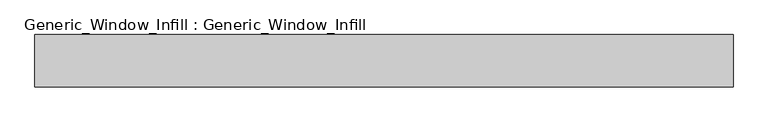
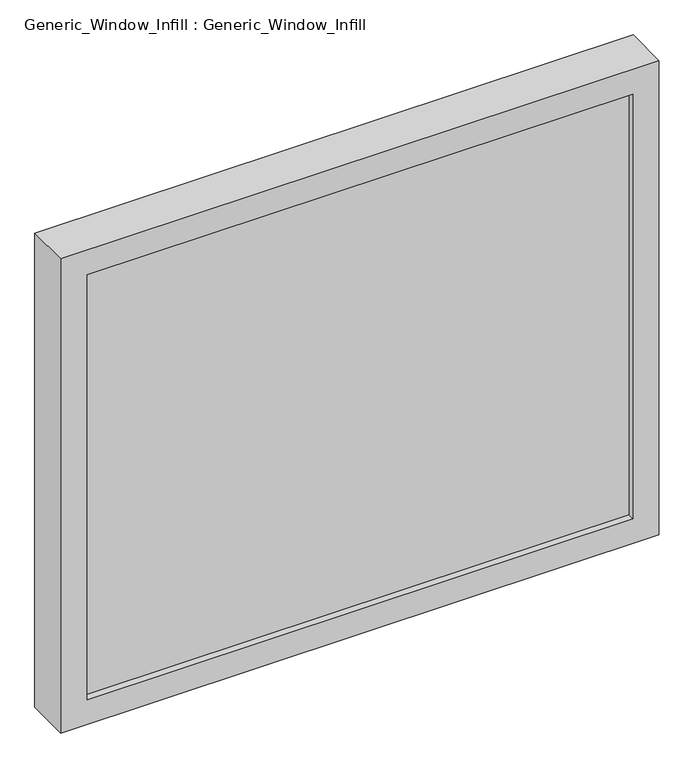
"""IFC4 building model written with IfcOpenShell, lengths in millimetres: plate geometry, Generic_Window_Infill : Generic_Window_Infill."""

import ifcopenshell
import ifcopenshell.guid

model = None  # the IFC model being written
_history = None  # IfcOwnerHistory: only IFC2X3 demands one
_inside = {}  # id of a spatial element -> (the spatial element, [elements in it])
_under = {}  # id of a project, library or spatial element -> (it, [spatial elements below it])
_declared = {}  # id of a project -> (the project, [libraries it declares])
_typed = {}  # id of a type object -> (the type object, [elements of that type])
_made_of = {}  # id of a material, layer set ... -> (it, [elements and type objects made of it])


def new_model(schema):
    """Start an empty IFC model of exactly this schema.

    Asked for "IFC4X3", IfcOpenShell would pick the latest addendum, in which some entities
    have other attributes; the version numbers below select the first issue.
    IFC2X3 requires an IfcOwnerHistory on every rooted entity: one is made here for all.
    """
    global model, _history
    if schema == "IFC4X3":
        model = ifcopenshell.file(schema_version=(4, 3, 0, 0))
    else:
        model = ifcopenshell.file(schema=schema)
    _inside.clear()
    _under.clear()
    _declared.clear()
    _typed.clear()
    _made_of.clear()
    _history = None
    if model.schema == "IFC2X3":
        org = make("IfcOrganization", Name="unknown")
        user = make(
            "IfcPersonAndOrganization",
            ThePerson=make("IfcPerson", FamilyName="unknown"),
            TheOrganization=org,
        )
        app = make(
            "IfcApplication",
            ApplicationDeveloper=org,
            Version="unknown",
            ApplicationFullName="unknown",
            ApplicationIdentifier="unknown",
        )
        _history = make(
            "IfcOwnerHistory",
            OwningUser=user,
            OwningApplication=app,
            ChangeAction="ADDED",
            CreationDate=0,
        )
    return model


def make(cls, **values):
    """One entity of the class cls with the attributes given. An attribute that is None is left unset."""
    return model.create_entity(
        cls, **{name: value for name, value in values.items() if value is not None}
    )


def rooted(cls, **values):
    """An entity with a GlobalId (a new one), such as an element, a storey or a relation."""
    return make(cls, GlobalId=ifcopenshell.guid.new(), OwnerHistory=_history, **values)


def si_unit(unit_type, name, prefix=None):
    """IfcSIUnit, for example si_unit("LENGTHUNIT", "METRE", prefix="MILLI")."""
    return make("IfcSIUnit", UnitType=unit_type, Prefix=prefix, Name=name)


def assignment(units):
    """IfcUnitAssignment: the units of a project."""
    return None if units is None else make("IfcUnitAssignment", Units=units)


def point(xyz):
    """IfcCartesianPoint."""
    return None if xyz is None else make("IfcCartesianPoint", Coordinates=xyz)


def direction(xyz):
    """IfcDirection."""
    return None if xyz is None else make("IfcDirection", DirectionRatios=xyz)


def frame(location, z_axis=None, x_axis=None):
    """IfcAxis2Placement3D, a coordinate frame: its origin and axes. An axis left out is left unset."""
    return make(
        "IfcAxis2Placement3D",
        Location=point(location),
        Axis=direction(z_axis),
        RefDirection=direction(x_axis),
    )


def origin():
    """The frame at (0, 0, 0) with its axes left unset."""
    return frame((0.0, 0.0, 0.0))


def place(relative_to, where):
    """IfcLocalPlacement: puts the frame where relative to a parent placement (None: the world)."""
    return make(
        "IfcLocalPlacement", PlacementRelTo=relative_to, RelativePlacement=where
    )


def context(
    kind, dimensions, precision=None, world=None, true_north=None, identifier=None
):
    """IfcGeometricRepresentationContext, for example the 3D "Model" context."""
    return make(
        "IfcGeometricRepresentationContext",
        ContextIdentifier=identifier,
        ContextType=kind,
        CoordinateSpaceDimension=dimensions,
        Precision=precision,
        WorldCoordinateSystem=world,
        TrueNorth=true_north,
    )


def project(units=None, contexts=None):
    """IfcProject with its units and contexts."""
    return rooted(
        "IfcProject",
        Name="project",
        RepresentationContexts=contexts,
        UnitsInContext=assignment(units),
    )


def spatial(cls, under=None, at=None, **own):
    """A site, building, storey or space (cls), placed at a placement, below another one or the project."""
    s = rooted(cls, ObjectPlacement=at, **own)
    if under is not None:
        _under.setdefault(under.id(), (under, []))[1].append(s)
    return s


def polyline(points):
    """IfcPolyline through the points."""
    return make("IfcPolyline", Points=[point(p) for p in points])


def outline(outer, holes=None, kind="AREA"):
    """IfcArbitraryClosedProfileDef: a profile drawn as a closed curve; with holes, ...WithVoids."""
    if holes is None:
        return make("IfcArbitraryClosedProfileDef", ProfileType=kind, OuterCurve=outer)
    return make(
        "IfcArbitraryProfileDefWithVoids",
        ProfileType=kind,
        OuterCurve=outer,
        InnerCurves=holes,
    )


def extrude(swept, where, along, depth):
    """IfcExtrudedAreaSolid: the profile swept, set in the frame where, extruded along a direction by depth."""
    return make(
        "IfcExtrudedAreaSolid",
        SweptArea=swept,
        Position=where,
        ExtrudedDirection=direction(along),
        Depth=depth,
    )


def shape(context_of_items, identifier, shape_type, items):
    """IfcShapeRepresentation: the items that make up one representation, for example the "Body"."""
    return make(
        "IfcShapeRepresentation",
        ContextOfItems=context_of_items,
        RepresentationIdentifier=identifier,
        RepresentationType=shape_type,
        Items=items,
    )


def source(mapping_origin, context_of_items, identifier, shape_type, items):
    """IfcRepresentationMap: a shape defined once, which mapped items show again and again."""
    return make(
        "IfcRepresentationMap",
        MappingOrigin=mapping_origin,
        MappedRepresentation=shape(context_of_items, identifier, shape_type, items),
    )


def transform(
    local_origin,
    x_axis=None,
    y_axis=None,
    z_axis=None,
    scale=None,
    scale2=None,
    scale3=None,
    uniform=True,
):
    """IfcCartesianTransformationOperator3D, or its non-uniform kind. x_axis, y_axis, z_axis: its Axis1, 2, 3."""
    if uniform:
        return make(
            "IfcCartesianTransformationOperator3D",
            Axis1=direction(x_axis),
            Axis2=direction(y_axis),
            LocalOrigin=point(local_origin),
            Scale=scale,
            Axis3=direction(z_axis),
        )
    return make(
        "IfcCartesianTransformationOperator3DnonUniform",
        Axis1=direction(x_axis),
        Axis2=direction(y_axis),
        LocalOrigin=point(local_origin),
        Scale=scale,
        Axis3=direction(z_axis),
        Scale2=scale2,
        Scale3=scale3,
    )


def mapped(mapping_source, mapping_target):
    """IfcMappedItem: shows the shape of a source again, moved by a transform."""
    return make(
        "IfcMappedItem", MappingSource=mapping_source, MappingTarget=mapping_target
    )


def made_of(thing, what):
    """Note that an element or type object is made of a material, layer set ...; save() writes the relation."""
    if what is not None:
        _made_of.setdefault(what.id(), (what, []))[1].append(thing)
    return thing


def element(
    cls,
    number,
    at=None,
    inside=None,
    cuts=None,
    type_object=None,
    material=None,
    context=None,
    identifier="Body",
    shape_type=None,
    held_by="IfcProductDefinitionShape",
    body=None,
    shapes=None,
    **own,
):
    """One element of the class cls, such as IfcWall. Its Tag is "e" and its number.

    at: its placement. inside: the storey or other place that contains it. cuts: it is an
    opening in that element (IfcRelVoidsElement). A single representation is given by context,
    identifier, shape_type and body (its items); several are given by shapes. held_by: the class
    of the entity that holds the representations. save() writes the other relations.
    """
    e = rooted(cls, Tag="e%d" % number, ObjectPlacement=at, **own)
    if body is not None:
        shapes = [shape(context, identifier, shape_type, body)]
    if shapes is not None:
        e.Representation = make(held_by, Representations=shapes)
    if inside is not None:
        _inside.setdefault(inside.id(), (inside, []))[1].append(e)
    if cuts is not None:
        rooted(
            "IfcRelVoidsElement", RelatingBuildingElement=cuts, RelatedOpeningElement=e
        )
    if type_object is not None:
        _typed.setdefault(type_object.id(), (type_object, []))[1].append(e)
    return made_of(e, material)


def aggregate(whole, parts):
    """IfcRelAggregates: a whole, such as a stair, and the parts it consists of."""
    return rooted("IfcRelAggregates", RelatingObject=whole, RelatedObjects=parts)


def save(model, path):
    """Write the relations noted so far, then the file.

    IfcRelAggregates (storeys below a building ...), IfcRelContainedInSpatialStructure (elements
    in a storey), IfcRelDefinesByType, IfcRelAssociatesMaterial and IfcRelDeclares: one each for
    every whole, place, type object, material and project.
    """
    for whole, parts in _under.values():
        aggregate(whole, parts)
    for where, things in _inside.values():
        rooted(
            "IfcRelContainedInSpatialStructure",
            RelatedElements=things,
            RelatingStructure=where,
        )
    for kind, things in _typed.values():
        rooted("IfcRelDefinesByType", RelatedObjects=things, RelatingType=kind)
    for what, things in _made_of.values():
        rooted("IfcRelAssociatesMaterial", RelatedObjects=things, RelatingMaterial=what)
    for by, libraries in _declared.values():
        rooted("IfcRelDeclares", RelatingContext=by, RelatedDefinitions=libraries)
    model.write(path)


def generic_window_infill_generic_window_infill_903533e7(model_context):
    return source(origin(), model_context, "Body", "SweptSolid", [
        extrude(outline(polyline([(463.55, 12.0261239), (-463.55, 12.0261239), (-463.55, 42.4497356), (463.55, 42.4497356), (463.55, 12.0261239)])), frame((0.0, 0.0, 44.45), z_axis=(0.0, 0.0, 1.0), x_axis=(1.0, 0.0, 0.0)), (0.0, 0.0, 1.0), 762.0),
        extrude(outline(polyline([(850.9, 508.0), (850.9, -508.0), (0.0, -508.0), (0.0, 508.0), (850.9, 508.0)]), holes=[polyline([(44.45, 463.55), (44.45, -463.55), (806.45, -463.55), (806.45, 463.55), (44.45, 463.55)])]), frame((0.0, 0.0, 0.0), z_axis=(0.0, 1.0, 0.0), x_axis=(0.0, 0.0, 1.0)), (0.0, 0.0, 1.0), 76.2),
    ])


if __name__ == "__main__":
    model = new_model("IFC4")
    model_context = context("Model", 3, world=origin())
    ifc_project = project(units=[si_unit("LENGTHUNIT", "METRE", prefix="MILLI")], contexts=[model_context])
    site = spatial("IfcSite", under=ifc_project)
    building = spatial("IfcBuilding", under=site)
    placement = place(None, origin())
    generic_window_infill_generic_window_infill_shape = generic_window_infill_generic_window_infill_903533e7(model_context)
    element("IfcPlate", 1, ObjectType="Generic_Window_Infill : Generic_Window_Infill", at=placement, inside=building, context=model_context, shape_type="MappedRepresentation", body=[
        mapped(generic_window_infill_generic_window_infill_shape, transform((0.0, 0.0, 0.0), x_axis=(1.0, 0.0, 0.0), y_axis=(0.0, 1.0, 0.0), z_axis=(0.0, 0.0, 1.0))),
    ])
    save(model, "model.ifc")
